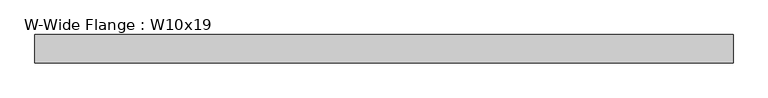
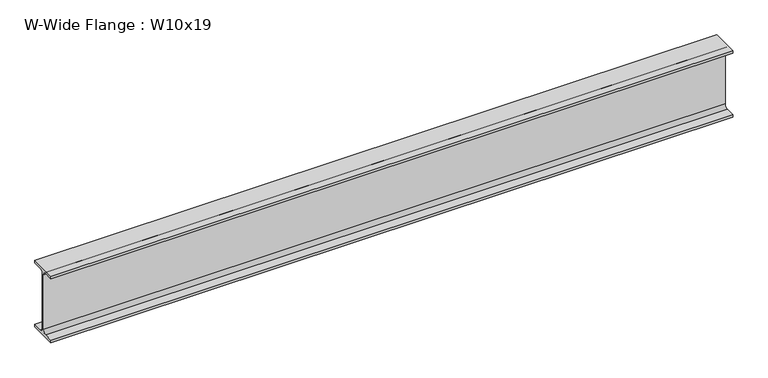
"""IFC4 building model written with IfcOpenShell, lengths in millimetres: beam geometry, W-Wide Flange : W10x19."""

import ifcopenshell
import ifcopenshell.guid

model = None  # the IFC model being written
_history = None  # IfcOwnerHistory: only IFC2X3 demands one
_inside = {}  # id of a spatial element -> (the spatial element, [elements in it])
_under = {}  # id of a project, library or spatial element -> (it, [spatial elements below it])
_declared = {}  # id of a project -> (the project, [libraries it declares])
_typed = {}  # id of a type object -> (the type object, [elements of that type])
_made_of = {}  # id of a material, layer set ... -> (it, [elements and type objects made of it])


def new_model(schema):
    """Start an empty IFC model of exactly this schema.

    Asked for "IFC4X3", IfcOpenShell would pick the latest addendum, in which some entities
    have other attributes; the version numbers below select the first issue.
    IFC2X3 requires an IfcOwnerHistory on every rooted entity: one is made here for all.
    """
    global model, _history
    if schema == "IFC4X3":
        model = ifcopenshell.file(schema_version=(4, 3, 0, 0))
    else:
        model = ifcopenshell.file(schema=schema)
    _inside.clear()
    _under.clear()
    _declared.clear()
    _typed.clear()
    _made_of.clear()
    _history = None
    if model.schema == "IFC2X3":
        org = make("IfcOrganization", Name="unknown")
        user = make(
            "IfcPersonAndOrganization",
            ThePerson=make("IfcPerson", FamilyName="unknown"),
            TheOrganization=org,
        )
        app = make(
            "IfcApplication",
            ApplicationDeveloper=org,
            Version="unknown",
            ApplicationFullName="unknown",
            ApplicationIdentifier="unknown",
        )
        _history = make(
            "IfcOwnerHistory",
            OwningUser=user,
            OwningApplication=app,
            ChangeAction="ADDED",
            CreationDate=0,
        )
    return model


def make(cls, **values):
    """One entity of the class cls with the attributes given. An attribute that is None is left unset."""
    return model.create_entity(
        cls, **{name: value for name, value in values.items() if value is not None}
    )


def rooted(cls, **values):
    """An entity with a GlobalId (a new one), such as an element, a storey or a relation."""
    return make(cls, GlobalId=ifcopenshell.guid.new(), OwnerHistory=_history, **values)


def si_unit(unit_type, name, prefix=None):
    """IfcSIUnit, for example si_unit("LENGTHUNIT", "METRE", prefix="MILLI")."""
    return make("IfcSIUnit", UnitType=unit_type, Prefix=prefix, Name=name)


def assignment(units):
    """IfcUnitAssignment: the units of a project."""
    return None if units is None else make("IfcUnitAssignment", Units=units)


def point(xyz):
    """IfcCartesianPoint."""
    return None if xyz is None else make("IfcCartesianPoint", Coordinates=xyz)


def direction(xyz):
    """IfcDirection."""
    return None if xyz is None else make("IfcDirection", DirectionRatios=xyz)


def frame(location, z_axis=None, x_axis=None):
    """IfcAxis2Placement3D, a coordinate frame: its origin and axes. An axis left out is left unset."""
    return make(
        "IfcAxis2Placement3D",
        Location=point(location),
        Axis=direction(z_axis),
        RefDirection=direction(x_axis),
    )


def frame_2d(location, x_axis=None):
    """IfcAxis2Placement2D, a coordinate frame in the plane: its origin and x axis."""
    return make(
        "IfcAxis2Placement2D", Location=point(location), RefDirection=direction(x_axis)
    )


def origin():
    """The frame at (0, 0, 0) with its axes left unset."""
    return frame((0.0, 0.0, 0.0))


def place(relative_to, where):
    """IfcLocalPlacement: puts the frame where relative to a parent placement (None: the world)."""
    return make(
        "IfcLocalPlacement", PlacementRelTo=relative_to, RelativePlacement=where
    )


def context(
    kind, dimensions, precision=None, world=None, true_north=None, identifier=None
):
    """IfcGeometricRepresentationContext, for example the 3D "Model" context."""
    return make(
        "IfcGeometricRepresentationContext",
        ContextIdentifier=identifier,
        ContextType=kind,
        CoordinateSpaceDimension=dimensions,
        Precision=precision,
        WorldCoordinateSystem=world,
        TrueNorth=true_north,
    )


def project(units=None, contexts=None):
    """IfcProject with its units and contexts."""
    return rooted(
        "IfcProject",
        Name="project",
        RepresentationContexts=contexts,
        UnitsInContext=assignment(units),
    )


def spatial(cls, under=None, at=None, **own):
    """A site, building, storey or space (cls), placed at a placement, below another one or the project."""
    s = rooted(cls, ObjectPlacement=at, **own)
    if under is not None:
        _under.setdefault(under.id(), (under, []))[1].append(s)
    return s


def polyline(points):
    """IfcPolyline through the points."""
    return make("IfcPolyline", Points=[point(p) for p in points])


def circle_curve(where, radius):
    """IfcCircle in the frame where."""
    return make("IfcCircle", Position=where, Radius=radius)


def trimmed(basis, trim1, trim2, sense, master):
    """IfcTrimmedCurve: the piece of a basis curve between two trims."""
    return make(
        "IfcTrimmedCurve",
        BasisCurve=basis,
        Trim1=trim1,
        Trim2=trim2,
        SenseAgreement=sense,
        MasterRepresentation=master,
    )


def segment(curve, same_sense, transition):
    """IfcCompositeCurveSegment."""
    return make(
        "IfcCompositeCurveSegment",
        Transition=transition,
        SameSense=same_sense,
        ParentCurve=curve,
    )


def composite_curve(segments, self_intersect=None):
    """IfcCompositeCurve: segments joined end to end."""
    return make("IfcCompositeCurve", Segments=segments, SelfIntersect=self_intersect)


def outline(outer, holes=None, kind="AREA"):
    """IfcArbitraryClosedProfileDef: a profile drawn as a closed curve; with holes, ...WithVoids."""
    if holes is None:
        return make("IfcArbitraryClosedProfileDef", ProfileType=kind, OuterCurve=outer)
    return make(
        "IfcArbitraryProfileDefWithVoids",
        ProfileType=kind,
        OuterCurve=outer,
        InnerCurves=holes,
    )


def extrude(swept, where, along, depth):
    """IfcExtrudedAreaSolid: the profile swept, set in the frame where, extruded along a direction by depth."""
    return make(
        "IfcExtrudedAreaSolid",
        SweptArea=swept,
        Position=where,
        ExtrudedDirection=direction(along),
        Depth=depth,
    )


def shape(context_of_items, identifier, shape_type, items):
    """IfcShapeRepresentation: the items that make up one representation, for example the "Body"."""
    return make(
        "IfcShapeRepresentation",
        ContextOfItems=context_of_items,
        RepresentationIdentifier=identifier,
        RepresentationType=shape_type,
        Items=items,
    )


def source(mapping_origin, context_of_items, identifier, shape_type, items):
    """IfcRepresentationMap: a shape defined once, which mapped items show again and again."""
    return make(
        "IfcRepresentationMap",
        MappingOrigin=mapping_origin,
        MappedRepresentation=shape(context_of_items, identifier, shape_type, items),
    )


def transform(
    local_origin,
    x_axis=None,
    y_axis=None,
    z_axis=None,
    scale=None,
    scale2=None,
    scale3=None,
    uniform=True,
):
    """IfcCartesianTransformationOperator3D, or its non-uniform kind. x_axis, y_axis, z_axis: its Axis1, 2, 3."""
    if uniform:
        return make(
            "IfcCartesianTransformationOperator3D",
            Axis1=direction(x_axis),
            Axis2=direction(y_axis),
            LocalOrigin=point(local_origin),
            Scale=scale,
            Axis3=direction(z_axis),
        )
    return make(
        "IfcCartesianTransformationOperator3DnonUniform",
        Axis1=direction(x_axis),
        Axis2=direction(y_axis),
        LocalOrigin=point(local_origin),
        Scale=scale,
        Axis3=direction(z_axis),
        Scale2=scale2,
        Scale3=scale3,
    )


def mapped(mapping_source, mapping_target):
    """IfcMappedItem: shows the shape of a source again, moved by a transform."""
    return make(
        "IfcMappedItem", MappingSource=mapping_source, MappingTarget=mapping_target
    )


def made_of(thing, what):
    """Note that an element or type object is made of a material, layer set ...; save() writes the relation."""
    if what is not None:
        _made_of.setdefault(what.id(), (what, []))[1].append(thing)
    return thing


def element(
    cls,
    number,
    at=None,
    inside=None,
    cuts=None,
    type_object=None,
    material=None,
    context=None,
    identifier="Body",
    shape_type=None,
    held_by="IfcProductDefinitionShape",
    body=None,
    shapes=None,
    **own,
):
    """One element of the class cls, such as IfcWall. Its Tag is "e" and its number.

    at: its placement. inside: the storey or other place that contains it. cuts: it is an
    opening in that element (IfcRelVoidsElement). A single representation is given by context,
    identifier, shape_type and body (its items); several are given by shapes. held_by: the class
    of the entity that holds the representations. save() writes the other relations.
    """
    e = rooted(cls, Tag="e%d" % number, ObjectPlacement=at, **own)
    if body is not None:
        shapes = [shape(context, identifier, shape_type, body)]
    if shapes is not None:
        e.Representation = make(held_by, Representations=shapes)
    if inside is not None:
        _inside.setdefault(inside.id(), (inside, []))[1].append(e)
    if cuts is not None:
        rooted(
            "IfcRelVoidsElement", RelatingBuildingElement=cuts, RelatedOpeningElement=e
        )
    if type_object is not None:
        _typed.setdefault(type_object.id(), (type_object, []))[1].append(e)
    return made_of(e, material)


def aggregate(whole, parts):
    """IfcRelAggregates: a whole, such as a stair, and the parts it consists of."""
    return rooted("IfcRelAggregates", RelatingObject=whole, RelatedObjects=parts)


def save(model, path):
    """Write the relations noted so far, then the file.

    IfcRelAggregates (storeys below a building ...), IfcRelContainedInSpatialStructure (elements
    in a storey), IfcRelDefinesByType, IfcRelAssociatesMaterial and IfcRelDeclares: one each for
    every whole, place, type object, material and project.
    """
    for whole, parts in _under.values():
        aggregate(whole, parts)
    for where, things in _inside.values():
        rooted(
            "IfcRelContainedInSpatialStructure",
            RelatedElements=things,
            RelatingStructure=where,
        )
    for kind, things in _typed.values():
        rooted("IfcRelDefinesByType", RelatedObjects=things, RelatingType=kind)
    for what, things in _made_of.values():
        rooted("IfcRelAssociatesMaterial", RelatedObjects=things, RelatingMaterial=what)
    for by, libraries in _declared.values():
        rooted("IfcRelDeclares", RelatingContext=by, RelatedDefinitions=libraries)
    model.write(path)


def w_wide_flange_w10x19_7ea842b8(model_context):
    return source(origin(), model_context, "Body", "SweptSolid", [
        extrude(outline(composite_curve([segment(polyline([(51.054, -119.507), (51.054, -129.54), (-51.054, -129.54), (-51.054, -119.507), (-16.9545, -119.507)]), True, "CONTINUOUS"), segment(trimmed(circle_curve(frame_2d((-16.9545, -105.7275)), 13.7795), [point((-16.9545, -119.507))], [point((-3.175, -105.7275))], True, "CARTESIAN"), True, "CONTINUOUS"), segment(polyline([(-3.175, -105.7275), (-3.175, 105.7275)]), True, "CONTINUOUS"), segment(trimmed(circle_curve(frame_2d((-16.9545, 105.7275)), 13.7795), [point((-3.175, 105.7275))], [point((-16.9545, 119.507))], True, "CARTESIAN"), True, "CONTINUOUS"), segment(polyline([(-16.9545, 119.507), (-51.054, 119.507), (-51.054, 129.54), (51.054, 129.54), (51.054, 119.507), (16.9545, 119.507)]), True, "CONTINUOUS"), segment(trimmed(circle_curve(frame_2d((16.9545, 105.7275)), 13.7795), [point((16.9545, 119.507))], [point((3.175, 105.7275))], True, "CARTESIAN"), True, "CONTINUOUS"), segment(polyline([(3.175, 105.7275), (3.175, -105.7275)]), True, "CONTINUOUS"), segment(trimmed(circle_curve(frame_2d((16.9545, -105.7275)), 13.7795), [point((3.175, -105.7275))], [point((16.9545, -119.507))], True, "CARTESIAN"), True, "CONTINUOUS"), segment(polyline([(16.9545, -119.507), (51.054, -119.507)]), True, "CONTINUOUS")], self_intersect=False)), frame((-1307.846, 0.0, 0.0), z_axis=(1.0, 0.0, 0.0), x_axis=(0.0, 1.0, 0.0)), (0.0, 0.0, 1.0), 2514.346),
    ])


if __name__ == "__main__":
    model = new_model("IFC4")
    model_context = context("Model", 3, world=origin())
    ifc_project = project(units=[si_unit("LENGTHUNIT", "METRE", prefix="MILLI")], contexts=[model_context])
    site = spatial("IfcSite", under=ifc_project)
    building = spatial("IfcBuilding", under=site)
    placement = place(None, origin())
    w_wide_flange_w10x19_shape = w_wide_flange_w10x19_7ea842b8(model_context)
    element("IfcBeam", 1, ObjectType="W-Wide Flange : W10x19", at=placement, inside=building, context=model_context, shape_type="MappedRepresentation", body=[
        mapped(w_wide_flange_w10x19_shape, transform((0.0, 0.0, 0.0), x_axis=(1.0, 0.0, 0.0), y_axis=(0.0, 1.0, 0.0), z_axis=(0.0, 0.0, 1.0))),
    ])
    save(model, "model.ifc")
